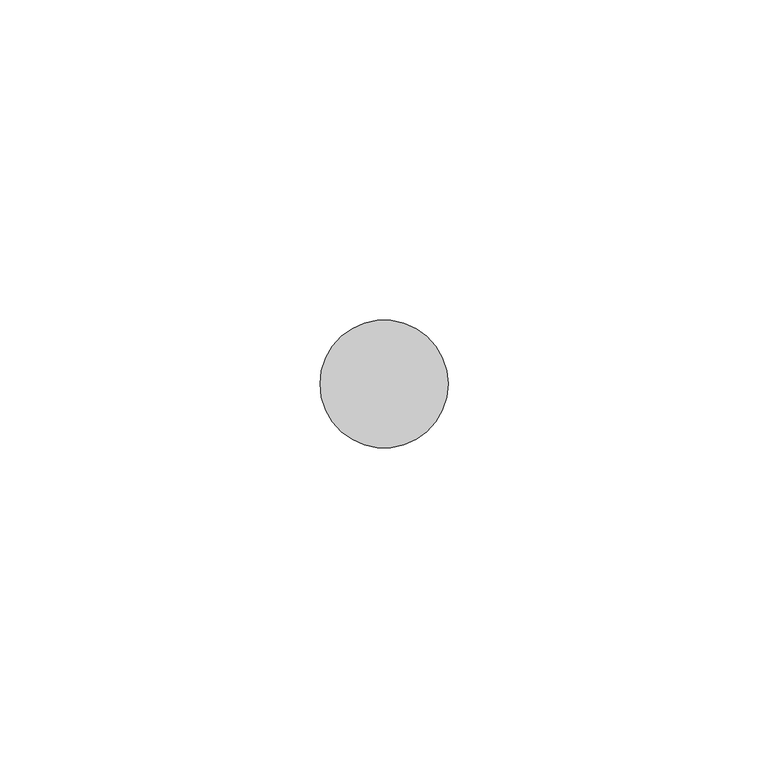
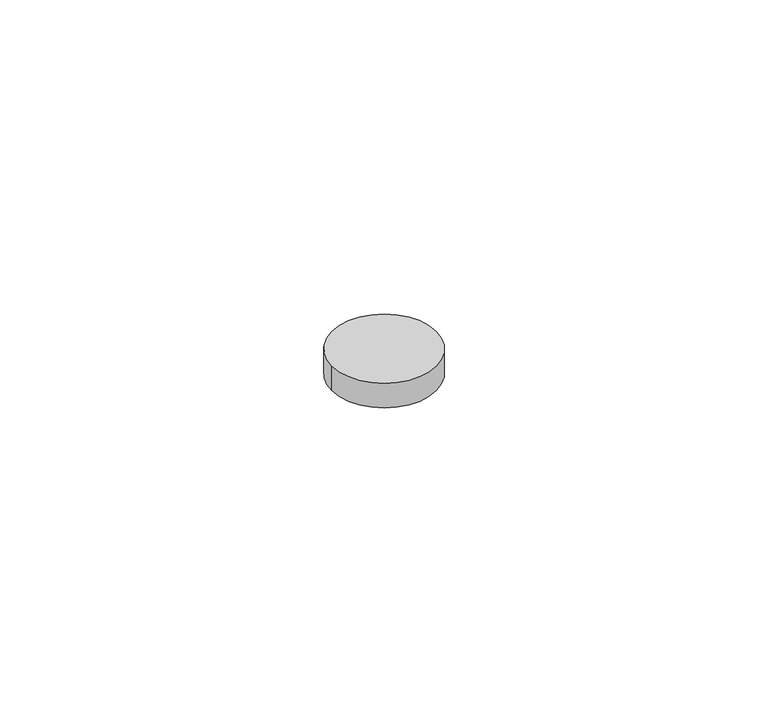
"""IFC4 building model written with IfcOpenShell, lengths in millimetres: proxy geometry."""

from ifc_helpers import new_model, si_unit, point, origin, origin_with_axes, origin_2d, place, context, project, spatial, circle_curve, trimmed, segment, composite_curve, outline, extrude, source, transform, mapped, element, save


def generic_models_11507acc(model_context):
    return source(origin(), model_context, "Body", "SweptSolid", [
        extrude(outline(composite_curve([segment(trimmed(circle_curve(origin_2d(), 10.0), [point((-10.0, 0.0))], [point((10.0, 0.0))], False, "CARTESIAN"), True, "CONTINUOUS"), segment(trimmed(circle_curve(origin_2d(), 10.0), [point((10.0, 0.0))], [point((-10.0, 0.0))], False, "CARTESIAN"), True, "CONTINUOUS")], self_intersect=False)), origin_with_axes(), (0.0, 0.0, 1.0), 5.0),
    ])


if __name__ == "__main__":
    model = new_model("IFC4")
    model_context = context("Model", 3, world=origin())
    ifc_project = project(units=[si_unit("LENGTHUNIT", "METRE", prefix="MILLI")], contexts=[model_context])
    site = spatial("IfcSite", under=ifc_project)
    building = spatial("IfcBuilding", under=site)
    placement = place(None, origin())
    generic_models_shape = generic_models_11507acc(model_context)
    element("IfcBuildingElementProxy", 1, Name="Generic Models", at=placement, inside=building, context=model_context, shape_type="MappedRepresentation", body=[
        mapped(generic_models_shape, transform((0.0, 0.0, 0.0), x_axis=(1.0, 0.0, 0.0), y_axis=(0.0, 1.0, 0.0), z_axis=(0.0, 0.0, 1.0))),
    ])
    save(model, "model.ifc")
